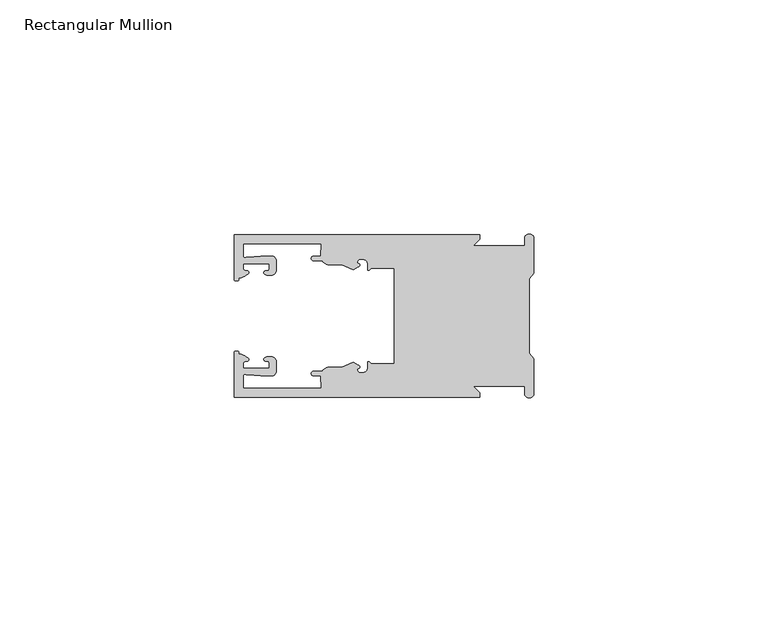
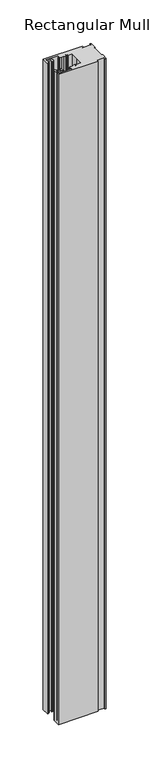
"""IFC4 building model written with IfcOpenShell, lengths in millimetres: member geometry, Rectangular Mullion."""

from ifc_helpers import new_model, si_unit, frame, origin, place, context, project, spatial, polyline, circle_curve, source, transform, mapped, element, save
from ifc_brep_helpers import plane_surface, cylinder_surface, revolved_surface, extruded_surface, spline_curve, advanced_brep


def rectangular_mullion_65250a78(model_context):
    return source(origin(), model_context, "Body", "AdvancedBrep", [
        advanced_brep(
        [(-11.5387897, 17.4000478, 0.0), (-64.0387868, 17.4000478, 0.0), (-64.0387868, 7.8350057, 0.0), (-63.2884687, 7.5412947, 0.0), (-62.4614154, 8.1921895, 0.0), (-62.0410649, 9.9426451, 0.0), (-62.0424168, 11.1926444, 0.0), (-56.54242, 11.1985924, 0.0), (-56.5410682, 9.9485931, 0.0), (-57.1085345, 8.7314723, 0.0), (-56.0397166, 8.6991345, 0.0), (-55.0407987, 9.7002154, 0.0), (-55.0430697, 11.8002142, 0.0), (-56.0446364, 12.7991315, 0.0), (-58.3650753, 12.7954945, 0.0), (-61.1340054, 12.5502269, 0.0), (-62.044093, 12.7426435, 0.0), (-62.0469668, 15.4000478, 0.0), (-45.4240312, 15.4000478, 0.0), (-45.5732135, 12.8000478, 0.0), (-47.0387868, 12.8000478, 0.0), (-47.0387868, 11.8000478, 0.0), (-45.2543363, 11.8000478, 0.0), (-43.6387868, 10.9000478, 0.0), (-41.0454034, 10.9000478, 0.0), (-38.5697136, 9.8718293, 0.0), (-37.5387868, 10.4670351, 0.0), (-37.6803436, 11.4201497, 0.0), (-37.0270763, 12.1583697, 0.0), (-36.2010815, 12.0127245, 0.0), (-35.54, 11.2248783, 0.0), (-35.54, 10.0, 0.0), (-34.7705791, 10.25, 0.0), (-29.79, 10.25, 0.0), (-29.79, 0.0, 0.0), (-29.79, -10.25, 0.0), (-34.7705791, -10.25, 0.0), (-35.54, -10.0, 0.0), (-35.54, -11.2248783, 0.0), (-36.2010815, -12.0127245, 0.0), (-37.0270763, -12.1583697, 0.0), (-37.6803436, -11.4201497, 0.0), (-37.5387868, -10.4670351, 0.0), (-38.5697136, -9.8718293, 0.0), (-41.0454034, -10.9000478, 0.0), (-43.6387868, -10.9000478, 0.0), (-45.2543363, -11.8000478, 0.0), (-47.0387868, -11.8000478, 0.0), (-47.0387868, -12.8000478, 0.0), (-45.5732135, -12.8000478, 0.0), (-45.4240312, -15.4000478, 0.0), (-62.0469668, -15.4000478, 0.0), (-62.044093, -12.7426435, 0.0), (-61.1340054, -12.5502269, 0.0), (-58.3650753, -12.7954945, 0.0), (-56.0446364, -12.7991314, 0.0), (-55.0430697, -11.8002142, 0.0), (-55.0407987, -9.7002154, 0.0), (-56.0397166, -8.6991345, 0.0), (-57.1085345, -8.7314723, 0.0), (-56.5410682, -9.9485931, 0.0), (-56.54242, -11.1985924, 0.0), (-62.0424168, -11.1926444, 0.0), (-62.0410649, -9.9426451, 0.0), (-62.4614154, -8.1921895, 0.0), (-63.2884687, -7.5412947, 0.0), (-64.0387868, -7.8350057, 0.0), (-64.0387868, -17.4000478, 0.0), (-11.5387897, -17.4000478, 0.0), (-11.5387897, -16.4000449, 0.0), (-12.9388346, -15.0, 0.0), (-2.0, -15.0, 0.0), (-2.0, -16.5, 0.0), (0.0, -16.5, 0.0), (0.0, -9.1160254, 0.0), (-1.0, -7.9613249, 0.0), (-1.0, 0.0, 0.0), (-1.0, 7.9613249, 0.0), (0.0, 9.1160254, 0.0), (0.0, 16.5, 0.0), (-2.0, 16.5, 0.0), (-2.0, 15.0, 0.0), (-12.9388346, 15.0, 0.0), (-11.5387897, 16.4000449, 0.0), (-11.5387897, 17.4000478, -914.4), (-11.5387897, 16.4000449, -914.4), (-12.9388346, 15.0, -914.4), (-2.0, 15.0, -914.4), (-2.0, 16.5, -914.4), (0.0, 16.5, -914.4), (0.0, 9.1160254, -914.4), (-1.0, 7.9613249, -914.4), (-1.0, 0.0, -914.4), (-1.0, -7.9613249, -914.4), (0.0, -9.1160254, -914.4), (0.0, -16.5, -914.4), (-2.0, -16.5, -914.4), (-2.0, -15.0, -914.4), (-12.9388346, -15.0, -914.4), (-11.5387897, -16.4000449, -914.4), (-11.5387897, -17.4000478, -914.4), (-64.0387868, -17.4000478, -914.4), (-64.0387868, -7.8350057, -914.4), (-63.2884687, -7.5412947, -914.4), (-62.4614154, -8.1921895, -914.4), (-62.0410649, -9.9426451, -914.4), (-62.0424168, -11.1926444, -914.4), (-56.54242, -11.1985924, -914.4), (-56.5410682, -9.9485931, -914.4), (-57.1085345, -8.7314723, -914.4), (-56.0397166, -8.6991345, -914.4), (-55.0407987, -9.7002154, -914.4), (-55.0430697, -11.8002142, -914.4), (-56.0446364, -12.7991315, -914.4), (-58.3650753, -12.7954945, -914.4), (-61.1340054, -12.5502269, -914.4), (-62.044093, -12.7426435, -914.4), (-62.0469668, -15.4000478, -914.4), (-45.4240312, -15.4000478, -914.4), (-45.5732135, -12.8000478, -914.4), (-47.0387868, -12.8000478, -914.4), (-47.0387868, -11.8000478, -914.4), (-45.2543363, -11.8000478, -914.4), (-43.6387868, -10.9000478, -914.4), (-41.0454034, -10.9000478, -914.4), (-38.5697136, -9.8718293, -914.4), (-37.5387868, -10.4670351, -914.4), (-37.6803436, -11.4201497, -914.4), (-37.0270763, -12.1583697, -914.4), (-36.2010815, -12.0127245, -914.4), (-35.54, -11.2248783, -914.4), (-35.54, -10.0, -914.4), (-34.7705791, -10.25, -914.4), (-29.79, -10.25, -914.4), (-29.79, 0.0, -914.4), (-29.79, 10.25, -914.4), (-34.7705791, 10.25, -914.4), (-35.54, 10.0, -914.4), (-35.54, 11.2248783, -914.4), (-36.2010815, 12.0127245, -914.4), (-37.0270763, 12.1583697, -914.4), (-37.6803436, 11.4201497, -914.4), (-37.5387868, 10.4670351, -914.4), (-38.5697136, 9.8718293, -914.4), (-41.0454034, 10.9000478, -914.4), (-43.6387868, 10.9000478, -914.4), (-45.2543363, 11.8000478, -914.4), (-47.0387868, 11.8000478, -914.4), (-47.0387868, 12.8000478, -914.4), (-45.5732135, 12.8000478, -914.4), (-45.4240312, 15.4000478, -914.4), (-62.0469668, 15.4000478, -914.4), (-62.044093, 12.7426435, -914.4), (-61.1340054, 12.5502269, -914.4), (-58.3650753, 12.7954945, -914.4), (-56.0446364, 12.7991314, -914.4), (-55.0430697, 11.8002142, -914.4), (-55.0407987, 9.7002154, -914.4), (-56.0397166, 8.6991345, -914.4), (-57.1085345, 8.7314723, -914.4), (-56.5410682, 9.9485931, -914.4), (-56.54242, 11.1985924, -914.4), (-62.0424168, 11.1926444, -914.4), (-62.0410649, 9.9426451, -914.4), (-62.4614154, 8.1921895, -914.4), (-63.2884687, 7.5412947, -914.4), (-64.0387868, 7.8350057, -914.4), (-64.0387868, 17.4000478, -914.4)],
        [
            (0, 1),
            (1, 2),
            (2, 3, spline_curve(3, [(-64.0387868, 7.8350057, 0.0), (-64.038491377, 7.561831774, 0.0), (-63.788385325, 7.463928087, 0.0), (-63.2884687, 7.5412947, 0.0)], [4, 4], [0.0, 0.0019169337574178654])),
            (3, 4, spline_curve(3, [(-63.2884687, 7.5412947, 0.0), (-63.057760917, 7.582232011, 0.0), (-63.018445067, 7.725390894, 0.0), (-63.019925494, 8.056436881, 0.0), (-63.103444208, 8.236386866, 0.0), (-62.4614154, 8.1921895, 0.0)], [4, 2, 4], [0.0, 0.0010199524164107188, 0.0024874514725970356])),
            (4, 5, spline_curve(3, [(-62.4614154, 8.1921895, 0.0), (-60.988497673, 8.880962536, 0.0), (-60.794045122, 9.192776957, 0.0), (-60.949808078, 9.57023562, 0.0), (-61.145214014, 9.682771697, 0.0), (-61.665835706, 9.714019003, 0.0), (-61.965242574, 9.660891484, 0.0), (-62.0410649, 9.9426451, 0.0)], [4, 2, 2, 4], [0.0, 0.003269869179570428, 0.005490050486237203, 0.0073545767114364426])),
            (5, 6),
            (6, 7),
            (7, 8),
            (8, 9, spline_curve(3, [(-56.5410682, 9.9485931, 0.0), (-56.634838635, 9.597117104, 0.0), (-56.904956774, 9.698238818, 0.0), (-57.324171444, 9.731086209, 0.0), (-57.45969165, 9.646199885, 0.0), (-57.729003352, 9.346016011, 0.0), (-57.859492582, 9.113082158, 0.0), (-57.1085345, 8.7314723, 0.0)], [4, 2, 2, 4], [0.0, 0.001593963049934732, 0.0033360256320283306, 0.005339140673503943])),
            (9, 10),
            (10, 11, circle_curve(frame((-56.0407981, 9.699134, 0.0), z_axis=(0.0, 0.0, 1.0), x_axis=(0.0010814451158627505, -0.9999994152380598, 0.0)), 1.0)),
            (11, 12),
            (12, 13, circle_curve(frame((-56.0430691, 11.7991327, 0.0), z_axis=(0.0, 0.0, 1.0), x_axis=(0.0010814451158627505, -0.9999994152380598, 0.0)), 1.0)),
            (13, 14),
            (14, 15),
            (15, 16, spline_curve(3, [(-61.1340054, 12.5502269, 0.0), (-61.605485428, 12.508463911, 0.0), (-61.992111419, 12.303164326, 0.0), (-62.044093, 12.7426435, 0.0)], [4, 4], [0.0, 0.0014803385355886016])),
            (16, 17),
            (17, 18),
            (18, 19),
            (19, 20),
            (20, 21, circle_curve(frame((-47.0387868, 12.3000478, 0.0), z_axis=(0.0, 0.0, 1.0), x_axis=(0.0, -1.0, 0.0)), 0.5)),
            (21, 22),
            (22, 23, circle_curve(frame((-43.6387868, 12.8000478, 0.0), z_axis=(0.0, 0.0, 1.0), x_axis=(0.0, -1.0, 0.0)), 1.9)),
            (23, 24),
            (24, 25),
            (25, 26),
            (26, 27, spline_curve(3, [(-37.5387868, 10.4670351, 0.0), (-36.973919853, 10.833863985, 0.0), (-37.198159645, 11.135696286, 0.0), (-37.587892011, 11.260246073, 0.0), (-37.754584192, 11.180452419, 0.0), (-37.6803436, 11.4201497, 0.0)], [4, 2, 4], [0.0, 0.0019283703160353726, 0.003394584635652914])),
            (27, 28, circle_curve(frame((-37.0434863, 11.5147359, 0.0), z_axis=(0.0, 0.0, -1.0), x_axis=(0.0, -1.0, 0.0)), 0.643843)),
            (28, 29),
            (29, 30, circle_curve(frame((-36.34, 11.2248783, 0.0), z_axis=(0.0, 0.0, -1.0), x_axis=(0.0, -1.0, 0.0)), 0.8)),
            (30, 31),
            (31, 32, spline_curve(3, [(-35.54, 10.0, 0.0), (-35.440000238, 9.598293201, 0.0), (-35.183526594, 9.681626535, 0.0), (-34.7705791, 10.25, 0.0)], [4, 4], [0.0, 0.0027473296990141553])),
            (32, 33),
            (33, 34),
            (34, 35),
            (35, 36),
            (36, 37, spline_curve(3, [(-34.7705791, -10.25, 0.0), (-35.183526594, -9.681626535, 0.0), (-35.440000238, -9.598293201, 0.0), (-35.54, -10.0, 0.0)], [4, 4], [0.0, 0.0027473296990141553])),
            (37, 38),
            (38, 39, circle_curve(frame((-36.34, -11.2248783, 0.0), z_axis=(0.0, 0.0, -1.0), x_axis=(0.0, 1.0, 0.0)), 0.8)),
            (39, 40),
            (40, 41, circle_curve(frame((-37.0434863, -11.5147359, 0.0), z_axis=(0.0, 0.0, -1.0), x_axis=(0.0, 1.0, 0.0)), 0.643843)),
            (41, 42, spline_curve(3, [(-37.6803436, -11.4201497, 0.0), (-37.754584192, -11.180452419, 0.0), (-37.587892011, -11.260246073, 0.0), (-37.198159645, -11.135696286, 0.0), (-36.973919853, -10.833863985, 0.0), (-37.5387868, -10.4670351, 0.0)], [4, 2, 4], [0.0, 0.0014662143196175414, 0.003394584635652914])),
            (42, 43),
            (43, 44),
            (44, 45),
            (45, 46, circle_curve(frame((-43.6387868, -12.8000478, 0.0), z_axis=(0.0, 0.0, 1.0), x_axis=(0.0, 1.0, 0.0)), 1.9)),
            (46, 47),
            (47, 48, circle_curve(frame((-47.0387868, -12.3000478, 0.0), z_axis=(0.0, 0.0, 1.0), x_axis=(0.0, 1.0, 0.0)), 0.5)),
            (48, 49),
            (49, 50),
            (50, 51),
            (51, 52),
            (52, 53, spline_curve(3, [(-62.044093, -12.7426435, 0.0), (-61.992111419, -12.303164326, 0.0), (-61.605485428, -12.508463911, 0.0), (-61.1340054, -12.5502269, 0.0)], [4, 4], [0.0, 0.0014803385355886016])),
            (53, 54),
            (54, 55),
            (55, 56, circle_curve(frame((-56.0430691, -11.7991327, 0.0), z_axis=(0.0, 0.0, 1.0), x_axis=(0.001081445115855867, 0.9999994152380598, 0.0)), 1.0)),
            (56, 57),
            (57, 58, circle_curve(frame((-56.0407981, -9.699134, 0.0), z_axis=(0.0, 0.0, 1.0), x_axis=(0.001081445115855867, 0.9999994152380598, 0.0)), 1.0)),
            (58, 59),
            (59, 60, spline_curve(3, [(-57.1085345, -8.7314723, 0.0), (-57.859492582, -9.113082158, 0.0), (-57.729003352, -9.346016011, 0.0), (-57.45969165, -9.646199885, 0.0), (-57.324171444, -9.731086209, 0.0), (-56.904956774, -9.698238818, 0.0), (-56.634838635, -9.597117104, 0.0), (-56.5410682, -9.9485931, 0.0)], [4, 2, 2, 4], [0.0, 0.002003115041475612, 0.0037451776235692107, 0.005339140673503943])),
            (60, 61),
            (61, 62),
            (62, 63),
            (63, 64, spline_curve(3, [(-62.0410649, -9.9426451, 0.0), (-61.965242574, -9.660891484, 0.0), (-61.665835706, -9.714019003, 0.0), (-61.145214014, -9.682771697, 0.0), (-60.949808078, -9.57023562, 0.0), (-60.794045122, -9.192776957, 0.0), (-60.988497673, -8.880962536, 0.0), (-62.4614154, -8.1921895, 0.0)], [4, 2, 2, 4], [0.0, 0.0018645262251992395, 0.004084707531866015, 0.0073545767114364426])),
            (64, 65, spline_curve(3, [(-62.4614154, -8.1921895, 0.0), (-63.103444208, -8.236386866, 0.0), (-63.019925494, -8.056436881, 0.0), (-63.018445067, -7.725390894, 0.0), (-63.057760917, -7.582232011, 0.0), (-63.2884687, -7.5412947, 0.0)], [4, 2, 4], [0.0, 0.0014674990561863168, 0.0024874514725970356])),
            (65, 66, spline_curve(3, [(-63.2884687, -7.5412947, 0.0), (-63.788385325, -7.463928087, 0.0), (-64.038491377, -7.561831774, 0.0), (-64.0387868, -7.8350057, 0.0)], [4, 4], [0.0, 0.0019169337574178654])),
            (66, 67),
            (67, 68),
            (68, 69),
            (69, 70),
            (70, 71),
            (71, 72),
            (72, 73, circle_curve(frame((-1.0, -16.5, 0.0), z_axis=(0.0, 0.0, 1.0), x_axis=(0.0, 1.0, 0.0)), 1.0)),
            (73, 74),
            (74, 75),
            (75, 76),
            (76, 77),
            (77, 78),
            (78, 79),
            (79, 80, circle_curve(frame((-1.0, 16.5, 0.0), z_axis=(0.0, 0.0, 1.0), x_axis=(0.0, -1.0, 0.0)), 1.0)),
            (80, 81),
            (81, 82),
            (82, 83),
            (83, 0),
            (84, 85),
            (85, 86),
            (86, 87),
            (87, 88),
            (88, 89, circle_curve(frame((-1.0, 16.5, -914.4), z_axis=(0.0, 0.0, -1.0), x_axis=(0.0, -1.0, 0.0)), 1.0)),
            (89, 90),
            (90, 91),
            (91, 92),
            (92, 93),
            (93, 94),
            (94, 95),
            (95, 96, circle_curve(frame((-1.0, -16.5, -914.4), z_axis=(0.0, 0.0, -1.0), x_axis=(0.0, 1.0, 0.0)), 1.0)),
            (96, 97),
            (97, 98),
            (98, 99),
            (99, 100),
            (100, 101),
            (101, 102),
            (102, 103, spline_curve(3, [(-64.0387868, -7.8350057, -914.4), (-64.038491377, -7.561831774, -914.4), (-63.788385325, -7.463928087, -914.4), (-63.2884687, -7.5412947, -914.4)], [4, 4], [0.0, 0.0019169337574178654])),
            (103, 104, spline_curve(3, [(-63.2884687, -7.5412947, -914.4), (-63.057760917, -7.582232011, -914.4), (-63.018445067, -7.725390894, -914.4), (-63.019925494, -8.056436881, -914.4), (-63.103444208, -8.236386866, -914.4), (-62.4614154, -8.1921895, -914.4)], [4, 2, 4], [0.0, 0.0010199524164107188, 0.0024874514725970356])),
            (104, 105, spline_curve(3, [(-62.4614154, -8.1921895, -914.4), (-60.988497673, -8.880962536, -914.4), (-60.794045122, -9.192776957, -914.4), (-60.949808078, -9.57023562, -914.4), (-61.145214014, -9.682771697, -914.4), (-61.665835706, -9.714019003, -914.4), (-61.965242574, -9.660891484, -914.4), (-62.0410649, -9.9426451, -914.4)], [4, 2, 2, 4], [0.0, 0.003269869179570428, 0.005490050486237203, 0.0073545767114364426])),
            (105, 106),
            (106, 107),
            (107, 108),
            (108, 109, spline_curve(3, [(-56.5410682, -9.9485931, -914.4), (-56.634838635, -9.597117104, -914.4), (-56.904956774, -9.698238818, -914.4), (-57.324171444, -9.731086209, -914.4), (-57.45969165, -9.646199885, -914.4), (-57.729003352, -9.346016011, -914.4), (-57.859492582, -9.113082158, -914.4), (-57.1085345, -8.7314723, -914.4)], [4, 2, 2, 4], [0.0, 0.001593963049934732, 0.0033360256320283306, 0.005339140673503943])),
            (109, 110),
            (110, 111, circle_curve(frame((-56.0407981, -9.699134, -914.4), z_axis=(0.0, 0.0, -1.0), x_axis=(0.001081445115855867, 0.9999994152380598, 0.0)), 1.0)),
            (111, 112),
            (112, 113, circle_curve(frame((-56.0430691, -11.7991327, -914.4), z_axis=(0.0, 0.0, -1.0), x_axis=(0.001081445115855867, 0.9999994152380598, 0.0)), 1.0)),
            (113, 114),
            (114, 115),
            (115, 116, spline_curve(3, [(-61.1340054, -12.5502269, -914.4), (-61.605485428, -12.508463911, -914.4), (-61.992111419, -12.303164326, -914.4), (-62.044093, -12.7426435, -914.4)], [4, 4], [0.0, 0.0014803385355886016])),
            (116, 117),
            (117, 118),
            (118, 119),
            (119, 120),
            (120, 121, circle_curve(frame((-47.0387868, -12.3000478, -914.4), z_axis=(0.0, 0.0, -1.0), x_axis=(0.0, 1.0, 0.0)), 0.5)),
            (121, 122),
            (122, 123, circle_curve(frame((-43.6387868, -12.8000478, -914.4), z_axis=(0.0, 0.0, -1.0), x_axis=(0.0, 1.0, 0.0)), 1.9)),
            (123, 124),
            (124, 125),
            (125, 126),
            (126, 127, spline_curve(3, [(-37.5387868, -10.4670351, -914.4), (-36.973919853, -10.833863985, -914.4), (-37.198159645, -11.135696286, -914.4), (-37.587892011, -11.260246073, -914.4), (-37.754584192, -11.180452419, -914.4), (-37.6803436, -11.4201497, -914.4)], [4, 2, 4], [0.0, 0.0019283703160353726, 0.003394584635652914])),
            (127, 128, circle_curve(frame((-37.0434863, -11.5147359, -914.4), z_axis=(0.0, 0.0, 1.0), x_axis=(0.0, 1.0, 0.0)), 0.643843)),
            (128, 129),
            (129, 130, circle_curve(frame((-36.34, -11.2248783, -914.4), z_axis=(0.0, 0.0, 1.0), x_axis=(0.0, 1.0, 0.0)), 0.8)),
            (130, 131),
            (131, 132, spline_curve(3, [(-35.54, -10.0, -914.4), (-35.440000238, -9.598293201, -914.4), (-35.183526594, -9.681626535, -914.4), (-34.7705791, -10.25, -914.4)], [4, 4], [0.0, 0.0027473296990141553])),
            (132, 133),
            (133, 134),
            (134, 135),
            (135, 136),
            (136, 137, spline_curve(3, [(-34.7705791, 10.25, -914.4), (-35.183526594, 9.681626535, -914.4), (-35.440000238, 9.598293201, -914.4), (-35.54, 10.0, -914.4)], [4, 4], [0.0, 0.0027473296990141553])),
            (137, 138),
            (138, 139, circle_curve(frame((-36.34, 11.2248783, -914.4), z_axis=(0.0, 0.0, 1.0), x_axis=(0.0, -1.0, 0.0)), 0.8)),
            (139, 140),
            (140, 141, circle_curve(frame((-37.0434863, 11.5147359, -914.4), z_axis=(0.0, 0.0, 1.0), x_axis=(0.0, -1.0, 0.0)), 0.643843)),
            (141, 142, spline_curve(3, [(-37.6803436, 11.4201497, -914.4), (-37.754584192, 11.180452419, -914.4), (-37.587892011, 11.260246073, -914.4), (-37.198159645, 11.135696286, -914.4), (-36.973919853, 10.833863985, -914.4), (-37.5387868, 10.4670351, -914.4)], [4, 2, 4], [0.0, 0.0014662143196175414, 0.003394584635652914])),
            (142, 143),
            (143, 144),
            (144, 145),
            (145, 146, circle_curve(frame((-43.6387868, 12.8000478, -914.4), z_axis=(0.0, 0.0, -1.0), x_axis=(0.0, -1.0, 0.0)), 1.9)),
            (146, 147),
            (147, 148, circle_curve(frame((-47.0387868, 12.3000478, -914.4), z_axis=(0.0, 0.0, -1.0), x_axis=(0.0, -1.0, 0.0)), 0.5)),
            (148, 149),
            (149, 150),
            (150, 151),
            (151, 152),
            (152, 153, spline_curve(3, [(-62.044093, 12.7426435, -914.4), (-61.992111419, 12.303164326, -914.4), (-61.605485428, 12.508463911, -914.4), (-61.1340054, 12.5502269, -914.4)], [4, 4], [0.0, 0.0014803385355886016])),
            (153, 154),
            (154, 155),
            (155, 156, circle_curve(frame((-56.0430691, 11.7991327, -914.4), z_axis=(0.0, 0.0, -1.0), x_axis=(0.0010814451158627505, -0.9999994152380598, 0.0)), 1.0)),
            (156, 157),
            (157, 158, circle_curve(frame((-56.0407981, 9.699134, -914.4), z_axis=(0.0, 0.0, -1.0), x_axis=(0.0010814451158627505, -0.9999994152380598, 0.0)), 1.0)),
            (158, 159),
            (159, 160, spline_curve(3, [(-57.1085345, 8.7314723, -914.4), (-57.859492582, 9.113082158, -914.4), (-57.729003352, 9.346016011, -914.4), (-57.45969165, 9.646199885, -914.4), (-57.324171444, 9.731086209, -914.4), (-56.904956774, 9.698238818, -914.4), (-56.634838635, 9.597117104, -914.4), (-56.5410682, 9.9485931, -914.4)], [4, 2, 2, 4], [0.0, 0.002003115041475612, 0.0037451776235692107, 0.005339140673503943])),
            (160, 161),
            (161, 162),
            (162, 163),
            (163, 164, spline_curve(3, [(-62.0410649, 9.9426451, -914.4), (-61.965242574, 9.660891484, -914.4), (-61.665835706, 9.714019003, -914.4), (-61.145214014, 9.682771697, -914.4), (-60.949808078, 9.57023562, -914.4), (-60.794045122, 9.192776957, -914.4), (-60.988497673, 8.880962536, -914.4), (-62.4614154, 8.1921895, -914.4)], [4, 2, 2, 4], [0.0, 0.0018645262251992395, 0.004084707531866015, 0.0073545767114364426])),
            (164, 165, spline_curve(3, [(-62.4614154, 8.1921895, -914.4), (-63.103444208, 8.236386866, -914.4), (-63.019925494, 8.056436881, -914.4), (-63.018445067, 7.725390894, -914.4), (-63.057760917, 7.582232011, -914.4), (-63.2884687, 7.5412947, -914.4)], [4, 2, 4], [0.0, 0.0014674990561863168, 0.0024874514725970356])),
            (165, 166, spline_curve(3, [(-63.2884687, 7.5412947, -914.4), (-63.788385325, 7.463928087, -914.4), (-64.038491377, 7.561831774, -914.4), (-64.0387868, 7.8350057, -914.4)], [4, 4], [0.0, 0.0019169337574178654])),
            (166, 167),
            (167, 84),
            (0, 84),
            (167, 1),
            (166, 2),
            (165, 3),
            (164, 4),
            (163, 5),
            (162, 6),
            (161, 7),
            (160, 8),
            (159, 9),
            (158, 10),
            (157, 11),
            (156, 12),
            (155, 13),
            (154, 14),
            (153, 15),
            (152, 16),
            (151, 17),
            (150, 18),
            (149, 19),
            (148, 20),
            (147, 21),
            (146, 22),
            (145, 23),
            (144, 24),
            (143, 25),
            (142, 26),
            (141, 27),
            (140, 28),
            (139, 29),
            (138, 30),
            (137, 31),
            (136, 32),
            (135, 33),
            (134, 34),
            (133, 35),
            (132, 36),
            (131, 37),
            (130, 38),
            (129, 39),
            (128, 40),
            (127, 41),
            (126, 42),
            (125, 43),
            (124, 44),
            (123, 45),
            (122, 46),
            (121, 47),
            (120, 48),
            (119, 49),
            (118, 50),
            (117, 51),
            (116, 52),
            (115, 53),
            (114, 54),
            (113, 55),
            (112, 56),
            (111, 57),
            (110, 58),
            (109, 59),
            (108, 60),
            (107, 61),
            (106, 62),
            (105, 63),
            (104, 64),
            (103, 65),
            (102, 66),
            (101, 67),
            (100, 68),
            (99, 69),
            (98, 70),
            (97, 71),
            (96, 72),
            (95, 73),
            (94, 74),
            (93, 75),
            (92, 76),
            (91, 77),
            (90, 78),
            (89, 79),
            (88, 80),
            (87, 81),
            (86, 82),
            (85, 83),
        ],
        [
            plane_surface(frame((0.0, -66.3605898, 0.0), z_axis=(0.0, 0.0, 1.0), x_axis=(-1.0, 0.0, 0.0))),
            plane_surface(frame((0.0, -66.3605898, -914.4), z_axis=(0.0, 0.0, -1.0), x_axis=(-1.0, 0.0, 0.0))),
            plane_surface(frame((-11.5387897, 17.4000478, 0.0), z_axis=(0.0, 1.0, 0.0), x_axis=(0.0, 0.0, -1.0))),
            plane_surface(frame((-64.0387868, 17.4000478, 0.0), z_axis=(-1.0, 0.0, 0.0), x_axis=(0.0, 0.0, -1.0))),
            extruded_surface(spline_curve(3, [(-64.0387868, 7.8350057, -914.4), (-64.038491377, 7.561831774, -914.4), (-63.788385325, 7.463928087, -914.4), (-63.2884687, 7.5412947, -914.4)], [4, 4], [0.0, 0.0019169337574178654]), (0.0, 0.0, 914.4), 914.4),
            extruded_surface(spline_curve(3, [(-63.2884687, 7.5412947, -914.4), (-63.057760917, 7.582232011, -914.4), (-63.018445067, 7.725390894, -914.4), (-63.019925494, 8.056436881, -914.4), (-63.103444208, 8.236386866, -914.4), (-62.4614154, 8.1921895, -914.4)], [4, 2, 4], [0.0, 0.0010199524164107188, 0.0024874514725970356]), (0.0, 0.0, 914.4), 914.4),
            extruded_surface(spline_curve(3, [(-62.4614154, 8.1921895, -914.4), (-60.988497673, 8.880962536, -914.4), (-60.794045122, 9.192776957, -914.4), (-60.949808078, 9.57023562, -914.4), (-61.145214014, 9.682771697, -914.4), (-61.665835706, 9.714019003, -914.4), (-61.965242574, 9.660891484, -914.4), (-62.0410649, 9.9426451, -914.4)], [4, 2, 2, 4], [0.0, 0.003269869179570428, 0.005490050486237203, 0.0073545767114364426]), (0.0, 0.0, 914.4), 914.4),
            plane_surface(frame((-62.0410649, 9.9426451, 0.0), z_axis=(0.9999994152380598, 0.0010814451158593665, 0.0), x_axis=(0.0, 0.0, -1.0))),
            plane_surface(frame((-62.0424168, 11.1926444, 0.0), z_axis=(0.0010814451158611391, -0.9999994152380598, 0.0), x_axis=(0.0, 0.0, -1.0))),
            plane_surface(frame((-56.54242, 11.1985924, 0.0), z_axis=(-0.9999994152380598, -0.0010814451158584516, 0.0), x_axis=(0.0, 0.0, -1.0))),
            extruded_surface(spline_curve(3, [(-56.5410682, 9.9485931, -914.4), (-56.634838635, 9.597117104, -914.4), (-56.904956774, 9.698238818, -914.4), (-57.324171444, 9.731086209, -914.4), (-57.45969165, 9.646199885, -914.4), (-57.729003352, 9.346016011, -914.4), (-57.859492582, 9.113082158, -914.4), (-57.1085345, 8.7314723, -914.4)], [4, 2, 2, 4], [0.0, 0.001593963049934732, 0.0033360256320283306, 0.005339140673503943]), (0.0, 0.0, 914.4), 914.4),
            plane_surface(frame((-57.1085345, 8.7314723, 0.0), z_axis=(-0.030241832452869922, -0.9995426111826813, 0.0), x_axis=(0.0, 0.0, -1.0))),
            cylinder_surface(frame((-56.0407981, 9.699134, 0.0), z_axis=(0.0, 0.0, 1.0000000000000002), x_axis=(0.0010814451158627505, -0.9999994152380598, 0.0)), 1.0),
            plane_surface(frame((-55.0407987, 9.7002154, 0.0), z_axis=(0.9999994152380598, 0.001081445115858722, 0.0), x_axis=(0.0, 0.0, -1.0))),
            cylinder_surface(frame((-56.0430691, 11.7991327, 0.0), z_axis=(0.0, 0.0, 1.0000000000000002), x_axis=(0.0010814451158627505, -0.9999994152380598, 0.0)), 1.0),
            plane_surface(frame((-56.0446364, 12.7991314, 0.0), z_axis=(-0.0015673183327907744, 0.9999987717558677, 0.0), x_axis=(0.0, 0.0, -1.0))),
            plane_surface(frame((-58.3650753, 12.7954945, 0.0), z_axis=(-0.08823302167299531, 0.9960998614026874, 0.0), x_axis=(0.0, 0.0, -1.0))),
            extruded_surface(spline_curve(3, [(-61.1340054, 12.5502269, -914.4), (-61.605485428, 12.508463911, -914.4), (-61.992111419, 12.303164326, -914.4), (-62.044093, 12.7426435, -914.4)], [4, 4], [0.0, 0.0014803385355886016]), (0.0, 0.0, 914.4), 914.4),
            plane_surface(frame((-62.044093, 12.7426435, 0.0), z_axis=(0.9999994152380598, 0.0010814451158597813, 0.0), x_axis=(0.0, 0.0, -1.0))),
            plane_surface(frame((-62.0469668, 15.4000478, 0.0), z_axis=(0.0, -1.0, 0.0), x_axis=(0.0, 0.0, -1.0))),
            plane_surface(frame((-45.4240312, 15.4000478, 0.0), z_axis=(-0.9983579461523547, 0.05728360458675776, 0.0), x_axis=(0.0, 0.0, -1.0))),
            plane_surface(frame((-45.5732135, 12.8000478, 0.0), z_axis=(0.0, 1.0, 0.0), x_axis=(0.0, 0.0, -1.0))),
            cylinder_surface(frame((-47.0387868, 12.3000478, 0.0), z_axis=(0.0, 0.0, 1.0), x_axis=(0.0, -1.0, 0.0)), 0.5),
            plane_surface(frame((-47.0387868, 11.8000478, 0.0), z_axis=(0.0, -1.0, 0.0), x_axis=(0.0, 0.0, -1.0))),
            cylinder_surface(frame((-43.6387868, 12.8000478, 0.0), z_axis=(0.0, 0.0, 1.0), x_axis=(0.0, -1.0, 0.0)), 1.9),
            plane_surface(frame((-43.6387868, 10.9000478, 0.0), z_axis=(0.0, -1.0, 0.0), x_axis=(0.0, 0.0, -1.0))),
            plane_surface(frame((-41.0454034, 10.9000478, 0.0), z_axis=(-0.3835602140750569, -0.9235158700199453, 0.0), x_axis=(0.0, 0.0, -1.0))),
            plane_surface(frame((-38.5697136, 9.8718293, 0.0), z_axis=(0.5000000000252295, -0.8660254037698725, 0.0), x_axis=(0.0, 0.0, -1.0))),
            extruded_surface(spline_curve(3, [(-37.5387868, 10.4670351, -914.4), (-36.973919853, 10.833863985, -914.4), (-37.198159645, 11.135696286, -914.4), (-37.587892011, 11.260246073, -914.4), (-37.754584192, 11.180452419, -914.4), (-37.6803436, 11.4201497, -914.4)], [4, 2, 4], [0.0, 0.0019283703160353726, 0.003394584635652914]), (0.0, 0.0, 914.4), 914.4),
            revolved_surface(polyline([(-37.0434863, 10.8708929, -914.4), (-37.0434863, 10.8708929, 0.0)]), (-37.0434863, 11.5147359, 0.0), (0.0, 0.0, -1.0)),
            plane_surface(frame((-37.0270763, 12.1583697, 0.0), z_axis=(-0.17364817767050408, -0.984807753011578, 0.0), x_axis=(0.0, 0.0, -1.0))),
            revolved_surface(polyline([(-36.34, 10.4248783, -914.4), (-36.34, 10.4248783, 0.0)]), (-36.34, 11.2248783, 0.0), (0.0, 0.0, -1.0)),
            plane_surface(frame((-35.54, 11.2248783, 0.0), z_axis=(-1.0, 0.0, 0.0), x_axis=(0.0, 0.0, -1.0))),
            extruded_surface(spline_curve(3, [(-35.54, 10.0, -914.4), (-35.440000238, 9.598293201, -914.4), (-35.183526594, 9.681626535, -914.4), (-34.7705791, 10.25, -914.4)], [4, 4], [0.0, 0.0027473296990141553]), (0.0, 0.0, 914.4), 914.4),
            plane_surface(frame((-34.7705791, 10.25, 0.0), z_axis=(0.0, -1.0, 0.0), x_axis=(0.0, 0.0, -1.0))),
            plane_surface(frame((-29.79, 10.25, 0.0), z_axis=(-1.0, 0.0, 0.0), x_axis=(0.0, 0.0, -1.0))),
            plane_surface(frame((-29.79, 0.0, 0.0), z_axis=(-1.0, 0.0, 0.0), x_axis=(0.0, 0.0, -1.0))),
            plane_surface(frame((-29.79, -10.25, 0.0), z_axis=(0.0, 1.0, 0.0), x_axis=(0.0, 0.0, -1.0))),
            extruded_surface(spline_curve(3, [(-34.7705791, -10.25, -914.4), (-35.183526594, -9.681626535, -914.4), (-35.440000238, -9.598293201, -914.4), (-35.54, -10.0, -914.4)], [4, 4], [0.0, 0.0027473296990141553]), (0.0, 0.0, 914.4), 914.4),
            plane_surface(frame((-35.54, -10.0, 0.0), z_axis=(-1.0, 0.0, 0.0), x_axis=(0.0, 0.0, -1.0))),
            revolved_surface(polyline([(-36.34, -10.4248783, -914.4), (-36.34, -10.4248783, 0.0)]), (-36.34, -11.2248783, 0.0), (0.0, 0.0, -1.0)),
            plane_surface(frame((-36.2010815, -12.0127245, 0.0), z_axis=(-0.17364817767051083, 0.9848077530115767, 0.0), x_axis=(0.0, 0.0, -1.0))),
            revolved_surface(polyline([(-37.0434863, -10.8708929, -914.4), (-37.0434863, -10.8708929, 0.0)]), (-37.0434863, -11.5147359, 0.0), (0.0, 0.0, -1.0)),
            extruded_surface(spline_curve(3, [(-37.6803436, -11.4201497, -914.4), (-37.754584192, -11.180452419, -914.4), (-37.587892011, -11.260246073, -914.4), (-37.198159645, -11.135696286, -914.4), (-36.973919853, -10.833863985, -914.4), (-37.5387868, -10.4670351, -914.4)], [4, 2, 4], [0.0, 0.0014662143196175414, 0.003394584635652914]), (0.0, 0.0, 914.4), 914.4),
            plane_surface(frame((-37.5387868, -10.4670351, 0.0), z_axis=(0.5000000000252234, 0.8660254037698759, 0.0), x_axis=(0.0, 0.0, -1.0))),
            plane_surface(frame((-38.5697136, -9.8718293, 0.0), z_axis=(-0.38356021407506324, 0.9235158700199426, 0.0), x_axis=(0.0, 0.0, -1.0))),
            plane_surface(frame((-41.0454034, -10.9000478, 0.0), z_axis=(0.0, 1.0, 0.0), x_axis=(0.0, 0.0, -1.0))),
            cylinder_surface(frame((-43.6387868, -12.8000478, 0.0), z_axis=(0.0, 0.0, 1.0), x_axis=(0.0, 1.0, 0.0)), 1.9),
            plane_surface(frame((-45.2543363, -11.8000478, 0.0), z_axis=(0.0, 1.0, 0.0), x_axis=(0.0, 0.0, -1.0))),
            cylinder_surface(frame((-47.0387868, -12.3000478, 0.0), z_axis=(0.0, 0.0, 1.0), x_axis=(0.0, 1.0, 0.0)), 0.5),
            plane_surface(frame((-47.0387868, -12.8000478, 0.0), z_axis=(0.0, -1.0, 0.0), x_axis=(0.0, 0.0, -1.0))),
            plane_surface(frame((-45.5732135, -12.8000478, 0.0), z_axis=(-0.9983579461523543, -0.05728360458676463, 0.0), x_axis=(0.0, 0.0, -1.0))),
            plane_surface(frame((-45.4240312, -15.4000478, 0.0), z_axis=(0.0, 1.0, 0.0), x_axis=(0.0, 0.0, -1.0))),
            plane_surface(frame((-62.0469668, -15.4000478, 0.0), z_axis=(0.9999994152380598, -0.001081445115852898, 0.0), x_axis=(0.0, 0.0, -1.0))),
            extruded_surface(spline_curve(3, [(-62.044093, -12.7426435, -914.4), (-61.992111419, -12.303164326, -914.4), (-61.605485428, -12.508463911, -914.4), (-61.1340054, -12.5502269, -914.4)], [4, 4], [0.0, 0.0014803385355886016]), (0.0, 0.0, 914.4), 914.4),
            plane_surface(frame((-61.1340054, -12.5502269, 0.0), z_axis=(-0.08823302167298844, -0.9960998614026879, 0.0), x_axis=(0.0, 0.0, -1.0))),
            plane_surface(frame((-58.3650753, -12.7954945, 0.0), z_axis=(-0.001567318332783891, -0.9999987717558677, 0.0), x_axis=(0.0, 0.0, -1.0))),
            cylinder_surface(frame((-56.0430691, -11.7991327, 0.0), z_axis=(0.0, 0.0, 1.0000000000000002), x_axis=(0.001081445115855867, 0.9999994152380598, 0.0)), 1.0),
            plane_surface(frame((-55.0430697, -11.8002142, 0.0), z_axis=(0.9999994152380598, -0.0010814451158518386, 0.0), x_axis=(0.0, 0.0, -1.0))),
            cylinder_surface(frame((-56.0407981, -9.699134, 0.0), z_axis=(0.0, 0.0, 1.0000000000000002), x_axis=(0.001081445115855867, 0.9999994152380598, 0.0)), 1.0),
            plane_surface(frame((-56.0397166, -8.6991345, 0.0), z_axis=(-0.030241832452876805, 0.9995426111826811, 0.0), x_axis=(0.0, 0.0, -1.0))),
            extruded_surface(spline_curve(3, [(-57.1085345, -8.7314723, -914.4), (-57.859492582, -9.113082158, -914.4), (-57.729003352, -9.346016011, -914.4), (-57.45969165, -9.646199885, -914.4), (-57.324171444, -9.731086209, -914.4), (-56.904956774, -9.698238818, -914.4), (-56.634838635, -9.597117104, -914.4), (-56.5410682, -9.9485931, -914.4)], [4, 2, 2, 4], [0.0, 0.002003115041475612, 0.0037451776235692107, 0.005339140673503943]), (0.0, 0.0, 914.4), 914.4),
            plane_surface(frame((-56.5410682, -9.9485931, 0.0), z_axis=(-0.9999994152380598, 0.0010814451158515682, 0.0), x_axis=(0.0, 0.0, -1.0))),
            plane_surface(frame((-56.54242, -11.1985924, 0.0), z_axis=(0.0010814451158542558, 0.9999994152380598, 0.0), x_axis=(0.0, 0.0, -1.0))),
            plane_surface(frame((-62.0424168, -11.1926444, 0.0), z_axis=(0.9999994152380598, -0.001081445115852483, 0.0), x_axis=(0.0, 0.0, -1.0))),
            extruded_surface(spline_curve(3, [(-62.0410649, -9.9426451, -914.4), (-61.965242574, -9.660891484, -914.4), (-61.665835706, -9.714019003, -914.4), (-61.145214014, -9.682771697, -914.4), (-60.949808078, -9.57023562, -914.4), (-60.794045122, -9.192776957, -914.4), (-60.988497673, -8.880962536, -914.4), (-62.4614154, -8.1921895, -914.4)], [4, 2, 2, 4], [0.0, 0.0018645262251992395, 0.004084707531866015, 0.0073545767114364426]), (0.0, 0.0, 914.4), 914.4),
            extruded_surface(spline_curve(3, [(-62.4614154, -8.1921895, -914.4), (-63.103444208, -8.236386866, -914.4), (-63.019925494, -8.056436881, -914.4), (-63.018445067, -7.725390894, -914.4), (-63.057760917, -7.582232011, -914.4), (-63.2884687, -7.5412947, -914.4)], [4, 2, 4], [0.0, 0.0014674990561863168, 0.0024874514725970356]), (0.0, 0.0, 914.4), 914.4),
            extruded_surface(spline_curve(3, [(-63.2884687, -7.5412947, -914.4), (-63.788385325, -7.463928087, -914.4), (-64.038491377, -7.561831774, -914.4), (-64.0387868, -7.8350057, -914.4)], [4, 4], [0.0, 0.0019169337574178654]), (0.0, 0.0, 914.4), 914.4),
            plane_surface(frame((-64.0387868, -7.8350057, 0.0), z_axis=(-1.0, 0.0, 0.0), x_axis=(0.0, 0.0, -1.0))),
            plane_surface(frame((-64.0387868, -17.4000478, 0.0), z_axis=(0.0, -1.0, 0.0), x_axis=(0.0, 0.0, -1.0))),
            plane_surface(frame((-11.5387897, -17.4000478, 0.0), z_axis=(1.0, 0.0, 0.0), x_axis=(0.0, 0.0, -1.0))),
            plane_surface(frame((-11.5387897, -16.4000449, 0.0), z_axis=(0.7071067811865457, 0.7071067811865493, 0.0), x_axis=(0.0, 0.0, -1.0))),
            plane_surface(frame((-12.9388346, -15.0, 0.0), z_axis=(0.0, -1.0, 0.0), x_axis=(0.0, 0.0, -1.0))),
            plane_surface(frame((-2.0, -15.0, 0.0), z_axis=(-1.0, 0.0, 0.0), x_axis=(0.0, 0.0, -1.0))),
            cylinder_surface(frame((-1.0, -16.5, 0.0), z_axis=(0.0, 0.0, 1.0), x_axis=(0.0, 1.0, 0.0)), 1.0),
            plane_surface(frame((0.0, -16.5, 0.0), z_axis=(1.0, 0.0, 0.0), x_axis=(0.0, 0.0, -1.0))),
            plane_surface(frame((0.0, -9.1160254, 0.0), z_axis=(0.7559289460231527, 0.6546536707025522, 0.0), x_axis=(0.0, 0.0, -1.0))),
            plane_surface(frame((-1.0, -7.9613249, 0.0), z_axis=(1.0, 0.0, 0.0), x_axis=(0.0, 0.0, -1.0))),
            plane_surface(frame((-1.0, 0.0, 0.0), z_axis=(1.0, 0.0, 0.0), x_axis=(0.0, 0.0, -1.0))),
            plane_surface(frame((-1.0, 7.9613249, 0.0), z_axis=(0.7559289460231571, -0.654653670702547, 0.0), x_axis=(0.0, 0.0, -1.0))),
            plane_surface(frame((0.0, 9.1160254, 0.0), z_axis=(1.0, 0.0, 0.0), x_axis=(0.0, 0.0, -1.0))),
            cylinder_surface(frame((-1.0, 16.5, 0.0), z_axis=(0.0, 0.0, 1.0), x_axis=(0.0, -1.0, 0.0)), 1.0),
            plane_surface(frame((-2.0, 16.5, 0.0), z_axis=(-1.0, 0.0, 0.0), x_axis=(0.0, 0.0, -1.0))),
            plane_surface(frame((-2.0, 15.0, 0.0), z_axis=(0.0, 1.0, 0.0), x_axis=(0.0, 0.0, -1.0))),
            plane_surface(frame((-12.9388346, 15.0, 0.0), z_axis=(0.7071067811865507, -0.7071067811865446, 0.0), x_axis=(0.0, 0.0, -1.0))),
            plane_surface(frame((-11.5387897, 16.4000449, 0.0), z_axis=(1.0, 0.0, 0.0), x_axis=(0.0, 0.0, -1.0))),
        ],
        [
            (0, [[1, 2, 3, 4, 5, 6, 7, 8, 9, 10, 11, 12, 13, 14, 15, 16, 17, 18, 19, 20, 21, 22, 23, 24, 25, 26, 27, 28, 29, 30, 31, 32, 33, 34, 35, 36, 37, 38, 39, 40, 41, 42, 43, 44, 45, 46, 47, 48, 49, 50, 51, 52, 53, 54, 55, 56, 57, 58, 59, 60, 61, 62, 63, 64, 65, 66, 67, 68, 69, 70, 71, 72, 73, 74, 75, 76, 77, 78, 79, 80, 81, 82, 83, 84]]),
            (1, [[85, 86, 87, 88, 89, 90, 91, 92, 93, 94, 95, 96, 97, 98, 99, 100, 101, 102, 103, 104, 105, 106, 107, 108, 109, 110, 111, 112, 113, 114, 115, 116, 117, 118, 119, 120, 121, 122, 123, 124, 125, 126, 127, 128, 129, 130, 131, 132, 133, 134, 135, 136, 137, 138, 139, 140, 141, 142, 143, 144, 145, 146, 147, 148, 149, 150, 151, 152, 153, 154, 155, 156, 157, 158, 159, 160, 161, 162, 163, 164, 165, 166, 167, 168]]),
            (2, [[-1, 169, -168, 170]]),
            (3, [[-2, -170, -167, 171]]),
            (4, [[-3, -171, -166, 172]]),
            (5, [[-4, -172, -165, 173]]),
            (6, [[-5, -173, -164, 174]]),
            (7, [[-6, -174, -163, 175]]),
            (8, [[-7, -175, -162, 176]]),
            (9, [[-8, -176, -161, 177]]),
            (10, [[-9, -177, -160, 178]]),
            (11, [[-10, -178, -159, 179]]),
            (12, [[-11, -179, -158, 180]]),
            (13, [[-12, -180, -157, 181]]),
            (14, [[-13, -181, -156, 182]]),
            (15, [[-14, -182, -155, 183]]),
            (16, [[-15, -183, -154, 184]]),
            (17, [[-16, -184, -153, 185]]),
            (18, [[-17, -185, -152, 186]]),
            (19, [[-18, -186, -151, 187]]),
            (20, [[-19, -187, -150, 188]]),
            (21, [[-20, -188, -149, 189]]),
            (22, [[-21, -189, -148, 190]]),
            (23, [[-22, -190, -147, 191]]),
            (24, [[-23, -191, -146, 192]]),
            (25, [[-24, -192, -145, 193]]),
            (26, [[-25, -193, -144, 194]]),
            (27, [[-26, -194, -143, 195]]),
            (28, [[-27, -195, -142, 196]]),
            (29, [[-28, -196, -141, 197]]),
            (30, [[-29, -197, -140, 198]]),
            (31, [[-30, -198, -139, 199]]),
            (32, [[-31, -199, -138, 200]]),
            (33, [[-32, -200, -137, 201]]),
            (34, [[-33, -201, -136, 202]]),
            (35, [[-34, -202, -135, 203]]),
            (36, [[-35, -203, -134, 204]]),
            (37, [[-36, -204, -133, 205]]),
            (38, [[-37, -205, -132, 206]]),
            (39, [[-38, -206, -131, 207]]),
            (40, [[-39, -207, -130, 208]]),
            (41, [[-40, -208, -129, 209]]),
            (42, [[-41, -209, -128, 210]]),
            (43, [[-42, -210, -127, 211]]),
            (44, [[-43, -211, -126, 212]]),
            (45, [[-44, -212, -125, 213]]),
            (46, [[-45, -213, -124, 214]]),
            (47, [[-46, -214, -123, 215]]),
            (48, [[-47, -215, -122, 216]]),
            (49, [[-48, -216, -121, 217]]),
            (50, [[-49, -217, -120, 218]]),
            (51, [[-50, -218, -119, 219]]),
            (52, [[-51, -219, -118, 220]]),
            (53, [[-52, -220, -117, 221]]),
            (54, [[-53, -221, -116, 222]]),
            (55, [[-54, -222, -115, 223]]),
            (56, [[-55, -223, -114, 224]]),
            (57, [[-56, -224, -113, 225]]),
            (58, [[-57, -225, -112, 226]]),
            (59, [[-58, -226, -111, 227]]),
            (60, [[-59, -227, -110, 228]]),
            (61, [[-60, -228, -109, 229]]),
            (62, [[-61, -229, -108, 230]]),
            (63, [[-62, -230, -107, 231]]),
            (64, [[-63, -231, -106, 232]]),
            (65, [[-64, -232, -105, 233]]),
            (66, [[-65, -233, -104, 234]]),
            (67, [[-66, -234, -103, 235]]),
            (68, [[-67, -235, -102, 236]]),
            (69, [[-68, -236, -101, 237]]),
            (70, [[-69, -237, -100, 238]]),
            (71, [[-70, -238, -99, 239]]),
            (72, [[-71, -239, -98, 240]]),
            (73, [[-72, -240, -97, 241]]),
            (74, [[-73, -241, -96, 242]]),
            (75, [[-74, -242, -95, 243]]),
            (76, [[-75, -243, -94, 244]]),
            (77, [[-76, -244, -93, 245]]),
            (78, [[-77, -245, -92, 246]]),
            (79, [[-78, -246, -91, 247]]),
            (80, [[-79, -247, -90, 248]]),
            (81, [[-80, -248, -89, 249]]),
            (82, [[-81, -249, -88, 250]]),
            (83, [[-82, -250, -87, 251]]),
            (84, [[-83, -251, -86, 252]]),
            (85, [[-84, -252, -85, -169]]),
        ],
    ),
    ])


if __name__ == "__main__":
    model = new_model("IFC4")
    model_context = context("Model", 3, world=origin())
    ifc_project = project(units=[si_unit("LENGTHUNIT", "METRE", prefix="MILLI")], contexts=[model_context])
    site = spatial("IfcSite", under=ifc_project)
    building = spatial("IfcBuilding", under=site)
    placement = place(None, origin())
    rectangular_mullion_shape = rectangular_mullion_65250a78(model_context)
    element("IfcMember", 1, ObjectType="Rectangular Mullion", at=placement, inside=building, context=model_context, shape_type="MappedRepresentation", body=[
        mapped(rectangular_mullion_shape, transform((0.0, 0.0, 0.0), x_axis=(1.0, 0.0, 0.0), y_axis=(0.0, 1.0, 0.0), z_axis=(0.0, 0.0, 1.0))),
    ])
    save(model, "model.ifc")
